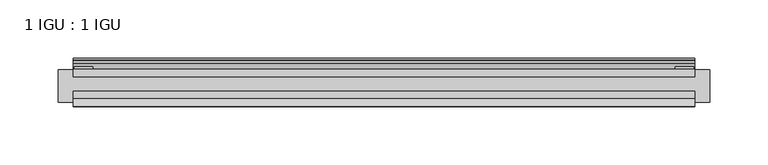
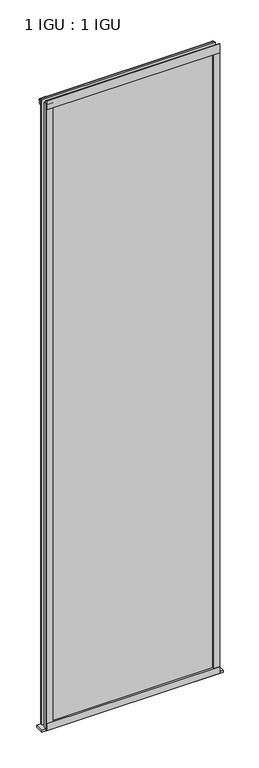
"""IFC4 building model written with IfcOpenShell, lengths in millimetres: plate geometry, 1 IGU : 1 IGU."""

from ifc_helpers import new_model, si_unit, point, frame, frame_2d, origin, place, context, project, spatial, polyline, circle_curve, trimmed, segment, composite_curve, outline, extrude, source, transform, mapped, element, save


def plate_1_igu_1_igu_dffaa641(model_context):
    return source(origin(), model_context, "Body", "SweptSolid", [
        extrude(outline(polyline([(266.773508, 0.0021347), (266.773508, -6.2992), (-266.773508, -6.2992), (-266.773508, 0.0021347), (266.773508, 0.0021347)])), frame((0.0, 0.0, -19.05), z_axis=(0.0, 0.0, 1.0), x_axis=(1.0, 0.0, 0.0)), (0.0, 0.0, 1.0), 2036.7498001),
        extrude(outline(polyline([(-266.773508, -19.0986653), (266.773508, -19.0986653), (266.773508, -25.3978653), (-266.773508, -25.3978653), (-266.773508, -19.0986653)])), frame((0.0, 0.0, -19.05), z_axis=(0.0, 0.0, 1.0), x_axis=(1.0, 0.0, 0.0)), (0.0, 0.0, 1.0), 2036.7498001),
        extrude(outline(composite_curve([segment(trimmed(circle_curve(frame_2d((10.9021792, -22.6833935)), 11.4916952), [point((0.0, -19.05))], [point((-0.2638007, -25.4))], True, "CARTESIAN"), True, "CONTINUOUS"), segment(polyline([(-0.2638007, -25.4), (-27.9952564, -25.4), (-27.9952564, -19.05), (0.0, -19.05)]), True, "CONTINUOUS")], self_intersect=False)), frame((-279.473508, 0.0, 0.0), z_axis=(1.0, 0.0, 0.0), x_axis=(0.0, 1.0, 0.0)), (0.0, 0.0, 1.0), 558.947016),
        extrude(outline(composite_curve([segment(polyline([(-31.75, 0.0), (-25.4, 0.0), (-25.4, -22.225)]), True, "CONTINUOUS"), segment(trimmed(circle_curve(frame_2d((-28.575, -28.9113452)), 7.4018806), [point((-25.4, -22.225))], [point((-31.75, -22.225))], True, "CARTESIAN"), True, "CONTINUOUS"), segment(polyline([(-31.75, -22.225), (-31.75, 0.0)]), True, "CONTINUOUS")], self_intersect=False)), frame((-266.773508, 0.0, 0.0), z_axis=(1.0, 0.0, 0.0), x_axis=(0.0, 1.0, 0.0)), (0.0, 0.0, 1.0), 533.547016),
        extrude(outline(composite_curve([segment(trimmed(circle_curve(frame_2d((-23.3689302, 2041.8664901)), 40.3187601), [point((0.0, 2009.0108131))], [point((4.9746073, 2013.1916528))], True, "CARTESIAN"), True, "CONTINUOUS"), segment(trimmed(circle_curve(frame_2d((5.8674, 2012.2884246)), 1.27), [point((4.9746073, 2013.1916528))], [point((7.1374, 2012.2884246))], False, "CARTESIAN"), True, "CONTINUOUS"), segment(polyline([(7.1374, 2012.2884246), (7.1374, 2007.8876169), (7.7309478, 2005.6724663), (6.35, 2005.4379789), (6.35, 2000.2500001), (9.3980339, 2000.2500001), (9.3980339, 1998.8684051)]), True, "CONTINUOUS"), segment(trimmed(circle_curve(frame_2d((13.6593785, 1967.8551528)), 31.3046461), [point((9.3980339, 1998.8684051))], [point((0.0, 1996.0225498))], True, "CARTESIAN"), True, "CONTINUOUS"), segment(polyline([(0.0, 1996.0225498), (0.0, 2009.0108131)]), True, "CONTINUOUS")], self_intersect=False)), frame((-266.773508, 0.0, 0.0), z_axis=(1.0, 0.0, 0.0), x_axis=(0.0, 1.0, 0.0)), (0.0, 0.0, 1.0), 533.547016),
        extrude(outline(composite_curve([segment(polyline([(-25.4, 2025.6500001), (-25.4, 2000.2500001), (-31.75, 2000.2500001), (-31.75, 2028.4228974)]), True, "CONTINUOUS"), segment(trimmed(circle_curve(frame_2d((-24.1401272, 2037.1924116)), 11.6109665), [point((-31.75, 2028.4228974))], [point((-25.4, 2025.6500001))], True, "CARTESIAN"), True, "CONTINUOUS")], self_intersect=False)), frame((-266.773508, 0.0, 0.0), z_axis=(1.0, 0.0, 0.0), x_axis=(0.0, 1.0, 0.0)), (0.0, 0.0, 1.0), 533.547016),
        extrude(outline(composite_curve([segment(polyline([(247.723508, -25.4), (266.773508, -25.4)]), True, "CONTINUOUS"), segment(trimmed(circle_curve(frame_2d((276.2396587, -28.575)), 9.9844196), [point((266.773508, -25.4))], [point((266.773508, -31.75))], True, "CARTESIAN"), True, "CONTINUOUS"), segment(polyline([(266.773508, -31.75), (247.723508, -31.75), (247.723508, -25.4)]), True, "CONTINUOUS")], self_intersect=False)), frame((0.0, 0.0, -19.05), z_axis=(0.0, 0.0, 1.0), x_axis=(1.0, 0.0, 0.0)), (0.0, 0.0, 1.0), 2036.7498001),
        extrude(outline(polyline([(265.567008, 2.2860088), (265.567008, 0.0021347), (249.692008, 0.0021347), (249.692008, 2.2860088), (265.567008, 2.2860088)])), frame((0.0, 0.0, -19.05), z_axis=(0.0, 0.0, 1.0), x_axis=(1.0, 0.0, 0.0)), (0.0, 0.0, 1.0), 2036.7498001),
        extrude(outline(composite_curve([segment(trimmed(circle_curve(frame_2d((-276.2396587, -28.575)), 9.9844196), [point((-266.773508, -31.75))], [point((-266.773508, -25.4))], True, "CARTESIAN"), True, "CONTINUOUS"), segment(polyline([(-266.773508, -25.4), (-247.723508, -25.4), (-247.723508, -31.75), (-266.773508, -31.75)]), True, "CONTINUOUS")], self_intersect=False)), frame((0.0, 0.0, -19.05), z_axis=(0.0, 0.0, 1.0), x_axis=(1.0, 0.0, 0.0)), (0.0, 0.0, 1.0), 2036.7498001),
        extrude(outline(polyline([(-265.567008, 0.0), (-265.567008, 2.286), (-249.692008, 2.286), (-249.692008, 0.0), (-265.567008, 0.0)])), frame((0.0, 0.0, -19.05), z_axis=(0.0, 0.0, 1.0), x_axis=(1.0, 0.0, 0.0)), (0.0, 0.0, 1.0), 2036.7498001),
    ])


if __name__ == "__main__":
    model = new_model("IFC4")
    model_context = context("Model", 3, world=origin())
    ifc_project = project(units=[si_unit("LENGTHUNIT", "METRE", prefix="MILLI")], contexts=[model_context])
    site = spatial("IfcSite", under=ifc_project)
    building = spatial("IfcBuilding", under=site)
    placement = place(None, origin())
    plate_1_igu_1_igu_shape = plate_1_igu_1_igu_dffaa641(model_context)
    element("IfcPlate", 1, ObjectType="1 IGU : 1 IGU", at=placement, inside=building, context=model_context, shape_type="MappedRepresentation", body=[
        mapped(plate_1_igu_1_igu_shape, transform((0.0, 0.0, 0.0), x_axis=(1.0, 0.0, 0.0), y_axis=(0.0, 1.0, 0.0), z_axis=(0.0, 0.0, 1.0))),
    ])
    save(model, "model.ifc")
